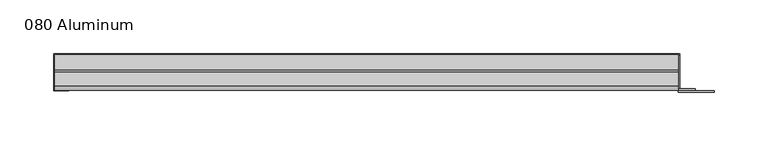
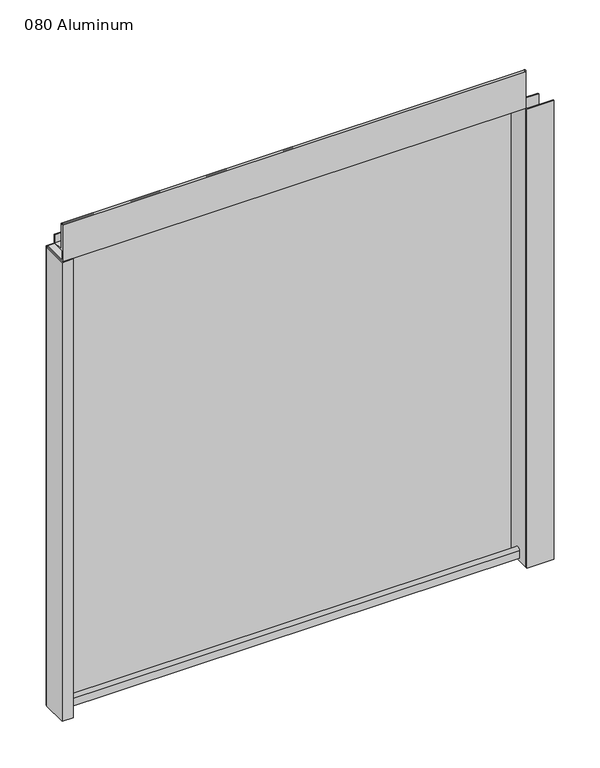
"""IFC4 building model written with IfcOpenShell, lengths in millimetres: plate geometry, 080 Aluminum."""

from ifc_helpers import new_model, si_unit, point, frame, frame_2d, origin, origin_with_axes, place, context, project, spatial, polyline, circle_curve, trimmed, segment, composite_curve, outline, extrude, source, transform, mapped, element, save


def plate_080_aluminum_77306b77(model_context):
    return source(origin(), model_context, "Body", "SweptSolid", [
        extrude(outline(polyline([(-297.18, 2.5660257), (-284.2894994, 2.5660257), (-284.2894994, 1.2699999), (-298.4499999, 1.2699999), (-298.4499999, 34.7980001), (-297.18, 34.7980001), (-297.18, 2.5660257)])), origin_with_axes(), (0.0, 0.0, 1.0), 608.33),
        extrude(outline(composite_curve([segment(trimmed(circle_curve(frame_2d((19.8514743, 13.124237)), 3.175), [point((16.6765477, 13.1458337))], [point((23.0264743, 13.124237))], False, "CARTESIAN"), True, "CONTINUOUS"), segment(polyline([(23.0264743, 13.124237), (23.0264743, 1.2693678), (34.7980002, 1.2693678), (34.7980002, 0.0), (21.7564743, 0.0), (21.7564743, 13.124237)]), True, "CONTINUOUS"), segment(trimmed(circle_curve(frame_2d((19.8514743, 13.124237)), 1.905), [point((21.7564743, 13.124237))], [point((17.9464915, 13.1323356))], True, "CARTESIAN"), True, "CONTINUOUS"), segment(polyline([(17.9464915, 13.1323356), (17.9464915, 2.786437), (16.6765477, 2.786437), (16.6765477, 13.1458337)]), True, "CONTINUOUS")], self_intersect=False)), frame((-297.18, 0.0, 0.0), z_axis=(1.0, 0.0, 0.0), x_axis=(0.0, 1.0, 0.0)), (0.0, 0.0, 1.0), 581.66),
        extrude(outline(composite_curve([segment(trimmed(circle_curve(frame_2d((3.7084742, 656.7932001)), 1.6509999), [point((2.0574743, 656.7932001))], [point((5.3594742, 656.7932001))], False, "CARTESIAN"), True, "CONTINUOUS"), segment(polyline([(5.3594742, 656.7932001), (5.3594742, 623.57), (19.2164743, 623.57), (19.2164743, 633.6538), (20.4864742, 633.6538), (20.4864742, 622.3), (4.0894742, 622.3), (4.0894742, 656.7932001)]), True, "CONTINUOUS"), segment(trimmed(circle_curve(frame_2d((3.7084742, 656.7932001)), 0.3809999), [point((4.0894742, 656.7932001))], [point((3.3274743, 656.7932001))], True, "CARTESIAN"), True, "CONTINUOUS"), segment(polyline([(3.3274743, 656.7932001), (3.3274743, 609.6000001), (34.7980002, 609.6000001), (34.7980002, 608.33), (2.0574743, 608.33), (2.0574743, 656.7932001)]), True, "CONTINUOUS")], self_intersect=False)), frame((-297.18, 0.0, 0.0), z_axis=(1.0, 0.0, 0.0), x_axis=(0.0, 1.0, 0.0)), (0.0, 0.0, 1.0), 581.66),
        extrude(outline(polyline([(-298.45, 36.068), (285.75, 36.068), (285.75, 34.7980001), (-298.45, 34.7980001), (-298.45, 36.068)])), origin_with_axes(), (0.0, 0.0, 1.0), 609.6),
        extrude(outline(polyline([(285.75, 1.2699999), (318.2620856, 1.2699999), (318.2620856, 0.0), (284.4800001, 0.0), (284.4800001, 34.7980002), (285.75, 34.7980002), (285.75, 1.2699999)])), origin_with_axes(), (0.0, 0.0, 1.0), 608.33),
        extrude(outline(polyline([(284.48, 3.3274743), (300.2279999, 3.3274743), (300.2279999, 2.0574743), (284.48, 2.0574743), (284.48, 3.3274743)])), origin_with_axes(), (0.0, 0.0, 1.0), 622.3),
    ])


if __name__ == "__main__":
    model = new_model("IFC4")
    model_context = context("Model", 3, world=origin())
    ifc_project = project(units=[si_unit("LENGTHUNIT", "METRE", prefix="MILLI")], contexts=[model_context])
    site = spatial("IfcSite", under=ifc_project)
    building = spatial("IfcBuilding", under=site)
    placement = place(None, origin())
    plate_080_aluminum_shape = plate_080_aluminum_77306b77(model_context)
    element("IfcPlate", 1, ObjectType="080 Aluminum", at=placement, inside=building, context=model_context, shape_type="MappedRepresentation", body=[
        mapped(plate_080_aluminum_shape, transform((0.0, 0.0, 0.0), x_axis=(1.0, 0.0, 0.0), y_axis=(0.0, 1.0, 0.0), z_axis=(0.0, 0.0, 1.0))),
    ])
    save(model, "model.ifc")
